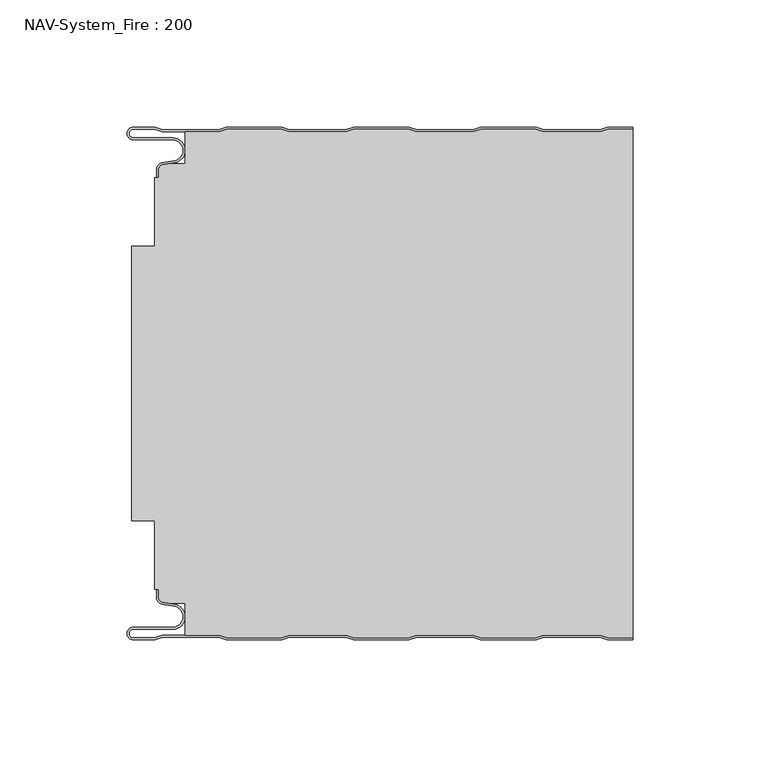
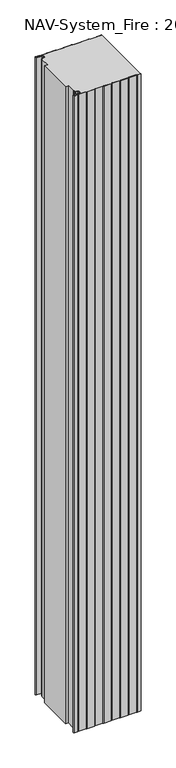
"""IFC4 building model written with IfcOpenShell, lengths in millimetres: plate geometry, NAV-System_Fire : 200."""

from ifc_helpers import new_model, si_unit, point, frame, frame_2d, origin, origin_with_axes, place, context, project, spatial, polyline, circle_curve, trimmed, segment, composite_curve, outline, extrude, source, transform, mapped, element, save
from ifc_brep_helpers import plane_surface, cylinder_surface, revolved_surface, advanced_brep


def nav_system_fire_200_e09a0413(model_context):
    return source(origin(), model_context, "Body", "SolidModel", [
        extrude(outline(composite_curve([segment(polyline([(89.6298221, -200.8), (86.6298221, -199.8), (64.3701779, -199.8), (61.3701779, -200.8), (39.6298221, -200.8), (36.6298221, -199.8), (14.3701779, -199.8), (11.3701779, -200.8), (-10.3701779, -200.8), (-13.3701779, -199.8), (-35.6298221, -199.8), (-38.6298221, -200.8), (-60.3701779, -200.8), (-63.3701779, -199.8), (-76.6602086, -199.8), (-76.6602086, -187.1656781), (-83.1774762, -187.1656781), (-85.6125665, -186.7363058)]), True, "CONTINUOUS"), segment(trimmed(circle_curve(frame_2d((-85.2999995, -184.963651)), 1.8000009), [point((-85.6125665, -186.7363058))], [point((-87.1000004, -184.963651))], False, "CARTESIAN"), True, "CONTINUOUS"), segment(polyline([(-87.1000004, -184.963651), (-87.1000004, -181.6488001), (-88.6500495, -181.6488001), (-88.6500495, -154.8), (-97.6527105, -154.8), (-97.6527105, -46.8), (-88.6502227, -46.8), (-88.6502227, -19.9512003), (-87.1000004, -19.9512003), (-87.1000004, -16.6387681)]), True, "CONTINUOUS"), segment(trimmed(circle_curve(frame_2d((-85.2999995, -16.6387681)), 1.8000009), [point((-87.1000004, -16.6387681))], [point((-85.6125665, -14.8661133))], False, "CARTESIAN"), True, "CONTINUOUS"), segment(polyline([(-85.6125665, -14.8661133), (-83.1774762, -14.436741), (-76.6602086, -14.436741), (-76.6602086, -1.8), (-63.3701779, -1.8), (-60.3701779, -0.8), (-38.6298221, -0.8), (-35.6298221, -1.8), (-13.3701779, -1.8), (-10.3701779, -0.8), (11.3701779, -0.8), (14.3701779, -1.8), (36.6298221, -1.8), (39.6298221, -0.8), (61.3701779, -0.8), (64.3701779, -1.8), (86.6298221, -1.8), (89.6298221, -0.8), (99.5, -0.8), (99.5, -200.8), (89.6298221, -200.8)]), True, "CONTINUOUS")], self_intersect=False)), origin_with_axes(), (0.0, 0.0, 1.0), 2000.0),
        advanced_brep(
        [(-88.6298221, -0.8, 0.0), (-97.0000001, -0.8, 0.0), (-97.0000001, -4.1999999, 0.0), (-81.6002086, -4.1999999, 0.0), (-80.7423864, -14.0049502, 0.0), (-85.6125665, -14.8636946, 0.0), (-87.1000004, -16.6363494, 0.0), (-87.1000014, -19.9421291, 0.0), (-87.9000014, -19.9421291, 0.0), (-87.9000014, -16.6363484, 0.0), (-85.7514853, -14.0758488, 0.0), (-80.8813015, -13.217104, 0.0), (-81.600205, -4.9999999, 0.0), (-97.0000001, -4.9999999, 0.0), (-97.0000001, 0.0, 0.0), (-88.5, 0.0, 0.0), (-85.5, -1.0, 0.0), (-63.5, -1.0, 0.0), (-60.5, 0.0, 0.0), (-38.5, 0.0, 0.0), (-35.5, -1.0, 0.0), (-13.5, -1.0, 0.0), (-10.5, 0.0, 0.0), (11.5, 0.0, 0.0), (14.5, -1.0, 0.0), (36.5, -1.0, 0.0), (39.5, 0.0, 0.0), (61.5, 0.0, 0.0), (64.5, -1.0, 0.0), (86.5, -1.0, 0.0), (89.5, 0.0, 0.0), (99.5, 0.0, 0.0), (99.5, -0.8, 0.0), (89.6298221, -0.8, 0.0), (86.6298221, -1.8, 0.0), (64.3701779, -1.8, 0.0), (61.3701779, -0.8, 0.0), (39.6298221, -0.8, 0.0), (36.6298221, -1.8, 0.0), (14.3701779, -1.8, 0.0), (11.3701779, -0.8, 0.0), (-10.3701779, -0.8, 0.0), (-13.3701779, -1.8, 0.0), (-35.6298221, -1.8, 0.0), (-38.6298221, -0.8, 0.0), (-60.3701779, -0.8, 0.0), (-63.3701779, -1.8, 0.0), (-85.6298221, -1.8, 0.0), (-88.6298221, -0.8, 2000.0), (-85.6298221, -1.8, 2000.0), (-63.3701779, -1.8, 2000.0), (-60.3701779, -0.8, 2000.0), (-38.6298221, -0.8, 2000.0), (-35.6298221, -1.8, 2000.0), (-13.3701779, -1.8, 2000.0), (-10.3701779, -0.8, 2000.0), (11.3701779, -0.8, 2000.0), (14.3701779, -1.8, 2000.0), (36.6298221, -1.8, 2000.0), (39.6298221, -0.8, 2000.0), (61.3701779, -0.8, 2000.0), (64.3701779, -1.8, 2000.0), (86.6298221, -1.8, 2000.0), (89.6298221, -0.8, 2000.0), (99.5, -0.8, 2000.0), (99.5, 0.0, 2000.0), (89.5, 0.0, 2000.0), (86.5, -1.0, 2000.0), (64.5, -1.0, 2000.0), (61.5, 0.0, 2000.0), (39.5, 0.0, 2000.0), (36.5, -1.0, 2000.0), (14.5, -1.0, 2000.0), (11.5, 0.0, 2000.0), (-10.5, 0.0, 2000.0), (-13.5, -1.0, 2000.0), (-35.5, -1.0, 2000.0), (-38.5, 0.0, 2000.0), (-60.5, 0.0, 2000.0), (-63.5, -1.0, 2000.0), (-85.5, -1.0, 2000.0), (-88.5, 0.0, 2000.0), (-97.0000001, 0.0, 2000.0), (-97.0000001, -4.9999999, 2000.0), (-81.600205, -4.9999999, 2000.0), (-80.8813015, -13.217104, 2000.0), (-85.7514853, -14.0758488, 2000.0), (-87.8999997, -16.6363484, 2000.0), (-87.9000014, -19.9421291, 2000.0), (-87.1000014, -19.9421291, 2000.0), (-87.1000014, -16.6363494, 2000.0), (-85.6125665, -14.8636946, 2000.0), (-80.7423864, -14.0049502, 2000.0), (-81.6002086, -4.1999999, 2000.0), (-97.0000001, -4.1999999, 2000.0), (-97.0000001, -0.8000002, 2000.0)],
        [
            (0, 1),
            (1, 2, circle_curve(frame((-97.0000001, -2.5, 0.0), z_axis=(0.0, 0.0, 1.0), x_axis=(1.0, 0.0, 0.0)), 1.6999999)),
            (2, 3),
            (3, 4, circle_curve(frame((-81.6002086, -9.1399999, 0.0), z_axis=(0.0, 0.0, -1.0), x_axis=(1.0, 0.0, 0.0)), 4.94)),
            (4, 5),
            (5, 6, circle_curve(frame((-85.2999995, -16.6363494, 0.0), z_axis=(0.0, 0.0, 1.0), x_axis=(1.0, 0.0, 0.0)), 1.8000009)),
            (6, 7),
            (7, 8),
            (8, 9),
            (9, 10, circle_curve(frame((-85.3000002, -16.6363484, 0.0), z_axis=(0.0, 0.0, -1.0), x_axis=(1.0, 0.0, 0.0)), 2.5999995)),
            (10, 11),
            (11, 12, circle_curve(frame((-81.600205, -9.1399999, 0.0), z_axis=(0.0, 0.0, 1.0), x_axis=(1.0, 0.0, 0.0)), 4.14)),
            (12, 13),
            (13, 14, circle_curve(frame((-97.0000001, -2.4999999, 0.0), z_axis=(0.0, 0.0, -1.0), x_axis=(1.0, 0.0, 0.0)), 2.4999999)),
            (14, 15),
            (15, 16),
            (16, 17),
            (17, 18),
            (18, 19),
            (19, 20),
            (20, 21),
            (21, 22),
            (22, 23),
            (23, 24),
            (24, 25),
            (25, 26),
            (26, 27),
            (27, 28),
            (28, 29),
            (29, 30),
            (30, 31),
            (31, 32),
            (32, 33),
            (33, 34),
            (34, 35),
            (35, 36),
            (36, 37),
            (37, 38),
            (38, 39),
            (39, 40),
            (40, 41),
            (41, 42),
            (42, 43),
            (43, 44),
            (44, 45),
            (45, 46),
            (46, 47),
            (47, 0),
            (48, 49),
            (49, 50),
            (50, 51),
            (51, 52),
            (52, 53),
            (53, 54),
            (54, 55),
            (55, 56),
            (56, 57),
            (57, 58),
            (58, 59),
            (59, 60),
            (60, 61),
            (61, 62),
            (62, 63),
            (63, 64),
            (64, 65),
            (65, 66),
            (66, 67),
            (67, 68),
            (68, 69),
            (69, 70),
            (70, 71),
            (71, 72),
            (72, 73),
            (73, 74),
            (74, 75),
            (75, 76),
            (76, 77),
            (77, 78),
            (78, 79),
            (79, 80),
            (80, 81),
            (81, 82),
            (82, 83, circle_curve(frame((-97.0000001, -2.4999999, 2000.0), z_axis=(0.0, 0.0, 1.0), x_axis=(1.0, 0.0, 0.0)), 2.4999999)),
            (83, 84),
            (84, 85, circle_curve(frame((-81.600205, -9.1399999, 2000.0), z_axis=(0.0, 0.0, -1.0), x_axis=(1.0, 0.0, 0.0)), 4.14)),
            (85, 86),
            (86, 87, circle_curve(frame((-85.3000002, -16.6363484, 2000.0), z_axis=(0.0, 0.0, 1.0), x_axis=(1.0, 0.0, 0.0)), 2.5999995)),
            (87, 88),
            (88, 89),
            (89, 90),
            (90, 91, circle_curve(frame((-85.2999995, -16.6363494, 2000.0), z_axis=(0.0, 0.0, -1.0), x_axis=(1.0, 0.0, 0.0)), 1.8000009)),
            (91, 92),
            (92, 93, circle_curve(frame((-81.6002086, -9.1399999, 2000.0), z_axis=(0.0, 0.0, 1.0), x_axis=(1.0, 0.0, 0.0)), 4.94)),
            (93, 94),
            (94, 95, circle_curve(frame((-97.0000001, -2.5, 2000.0), z_axis=(0.0, 0.0, -1.0), x_axis=(1.0, 0.0, 0.0)), 1.6999999)),
            (95, 48),
            (0, 48),
            (95, 1),
            (14, 82),
            (81, 15),
            (63, 33),
            (32, 64),
            (62, 34),
            (61, 35),
            (60, 36),
            (59, 37),
            (58, 38),
            (57, 39),
            (56, 40),
            (55, 41),
            (54, 42),
            (53, 43),
            (52, 44),
            (51, 45),
            (50, 46),
            (49, 47),
            (80, 16),
            (79, 17),
            (78, 18),
            (77, 19),
            (76, 20),
            (75, 21),
            (74, 22),
            (73, 23),
            (72, 24),
            (71, 25),
            (70, 26),
            (69, 27),
            (68, 28),
            (67, 29),
            (66, 30),
            (65, 31),
            (2, 94),
            (93, 3),
            (6, 90),
            (89, 7),
            (88, 8),
            (87, 9),
            (12, 84),
            (83, 13),
            (92, 4),
            (91, 5),
            (86, 10),
            (85, 11),
        ],
        [
            plane_surface(frame((-99.5, 0.0, 0.0), z_axis=(0.0, 0.0, -1.0), x_axis=(0.0, -1.0, 0.0))),
            plane_surface(frame((-99.5, 0.0, 2000.0), z_axis=(0.0, 0.0, 1.0), x_axis=(0.0, -1.0, 0.0))),
            plane_surface(frame((-88.6298221, -0.8, 0.0), z_axis=(0.0, -1.0, 0.0), x_axis=(0.0, 0.0, 1.0))),
            plane_surface(frame((-97.0000001, 0.0, 0.0), z_axis=(0.0, 1.0, 0.0), x_axis=(0.0, 0.0, 1.0))),
            plane_surface(frame((111.3701779, -0.8, 0.0), z_axis=(0.0, -1.0, 0.0), x_axis=(0.0, 0.0, 1.0))),
            plane_surface(frame((89.6298221, -0.8, 0.0), z_axis=(0.3162277660167413, -0.9486832980505461, 0.0), x_axis=(0.0, 0.0, 1.0))),
            plane_surface(frame((86.6298221, -1.8, 0.0), z_axis=(0.0, -1.0, 0.0), x_axis=(0.0, 0.0, 1.0))),
            plane_surface(frame((64.3701779, -1.8, 0.0), z_axis=(-0.31622776601675356, -0.948683298050542, 0.0), x_axis=(0.0, 0.0, 1.0))),
            plane_surface(frame((61.3701779, -0.8, 0.0), z_axis=(0.0, -1.0, 0.0), x_axis=(0.0, 0.0, 1.0))),
            plane_surface(frame((39.6298221, -0.8, 0.0), z_axis=(0.31622776601679226, -0.9486832980505291, 0.0), x_axis=(0.0, 0.0, 1.0))),
            plane_surface(frame((36.6298221, -1.8, 0.0), z_axis=(0.0, -1.0, 0.0), x_axis=(0.0, 0.0, 1.0))),
            plane_surface(frame((14.3701779, -1.8, 0.0), z_axis=(-0.3162277660168045, -0.948683298050525, 0.0), x_axis=(0.0, 0.0, 1.0))),
            plane_surface(frame((11.3701779, -0.8, 0.0), z_axis=(0.0, -1.0, 0.0), x_axis=(0.0, 0.0, 1.0))),
            plane_surface(frame((-10.3701779, -0.8, 0.0), z_axis=(0.31622776601679226, -0.9486832980505291, 0.0), x_axis=(0.0, 0.0, 1.0))),
            plane_surface(frame((-13.3701779, -1.8, 0.0), z_axis=(0.0, -1.0, 0.0), x_axis=(0.0, 0.0, 1.0))),
            plane_surface(frame((-35.6298221, -1.8, 0.0), z_axis=(-0.3162277660168045, -0.948683298050525, 0.0), x_axis=(0.0, 0.0, 1.0))),
            plane_surface(frame((-38.6298221, -0.8, 0.0), z_axis=(0.0, -1.0, 0.0), x_axis=(0.0, 0.0, 1.0))),
            plane_surface(frame((-60.3701779, -0.8, 0.0), z_axis=(0.3162277660167413, -0.9486832980505461, 0.0), x_axis=(0.0, 0.0, 1.0))),
            plane_surface(frame((-63.3701779, -1.8, 0.0), z_axis=(0.0, -1.0, 0.0), x_axis=(0.0, 0.0, 1.0))),
            plane_surface(frame((-85.6298221, -1.8, 0.0), z_axis=(-0.3162277660167413, -0.9486832980505461, 0.0), x_axis=(0.0, 0.0, 1.0))),
            plane_surface(frame((-88.5, 0.0, 0.0), z_axis=(0.31622776601671865, 0.9486832980505536, 0.0), x_axis=(0.0, 0.0, 1.0))),
            plane_surface(frame((-85.5, -1.0, 0.0), z_axis=(0.0, 1.0, 0.0), x_axis=(0.0, 0.0, 1.0))),
            plane_surface(frame((-63.5, -1.0, 0.0), z_axis=(-0.31622776601671865, 0.9486832980505536, 0.0), x_axis=(0.0, 0.0, 1.0))),
            plane_surface(frame((-60.5, 0.0, 0.0), z_axis=(0.0, 1.0, 0.0), x_axis=(0.0, 0.0, 1.0))),
            plane_surface(frame((-38.5, 0.0, 0.0), z_axis=(0.31622776601678754, 0.9486832980505306, 0.0), x_axis=(0.0, 0.0, 1.0))),
            plane_surface(frame((-35.5, -1.0, 0.0), z_axis=(0.0, 1.0, 0.0), x_axis=(0.0, 0.0, 1.0))),
            plane_surface(frame((-13.5, -1.0, 0.0), z_axis=(-0.3162277660167752, 0.9486832980505348, 0.0), x_axis=(0.0, 0.0, 1.0))),
            plane_surface(frame((-10.5, 0.0, 0.0), z_axis=(0.0, 1.0, 0.0), x_axis=(0.0, 0.0, 1.0))),
            plane_surface(frame((11.5, 0.0, 0.0), z_axis=(0.31622776601678754, 0.9486832980505306, 0.0), x_axis=(0.0, 0.0, 1.0))),
            plane_surface(frame((14.5, -1.0, 0.0), z_axis=(0.0, 1.0, 0.0), x_axis=(0.0, 0.0, 1.0))),
            plane_surface(frame((36.5, -1.0, 0.0), z_axis=(-0.3162277660167752, 0.9486832980505348, 0.0), x_axis=(0.0, 0.0, 1.0))),
            plane_surface(frame((39.5, 0.0, 0.0), z_axis=(0.0, 1.0, 0.0), x_axis=(0.0, 0.0, 1.0))),
            plane_surface(frame((61.5, 0.0, 0.0), z_axis=(0.3162277660167309, 0.9486832980505495, 0.0), x_axis=(0.0, 0.0, 1.0))),
            plane_surface(frame((64.5, -1.0, 0.0), z_axis=(0.0, 1.0, 0.0), x_axis=(0.0, 0.0, 1.0))),
            plane_surface(frame((86.5, -1.0, 0.0), z_axis=(-0.31622776601671865, 0.9486832980505536, 0.0), x_axis=(0.0, 0.0, 1.0))),
            plane_surface(frame((89.5, 0.0, 0.0), z_axis=(0.0, 1.0, 0.0), x_axis=(0.0, 0.0, 1.0))),
            plane_surface(frame((-97.0000001, -4.1999999, 0.0), z_axis=(0.0, 1.0, 0.0), x_axis=(0.0, 0.0, 1.0))),
            plane_surface(frame((-87.1000014, -16.6363494, 0.0), z_axis=(1.0, 0.0, 0.0), x_axis=(0.0, 0.0, 1.0))),
            plane_surface(frame((-87.1000014, -19.9421291, 0.0), z_axis=(0.0, -1.0, 0.0), x_axis=(0.0, 0.0, 1.0))),
            plane_surface(frame((-87.9000014, -19.9421291, 0.0), z_axis=(-1.0, 0.0, 0.0), x_axis=(0.0, 0.0, 1.0))),
            plane_surface(frame((-81.600205, -4.9999999, 0.0), z_axis=(0.0, -1.0, 0.0), x_axis=(0.0, 0.0, 1.0))),
            revolved_surface(polyline([(-95.3000002, -2.5, 2000.0), (-95.3000002, -2.5, 0.0)]), (-97.0000001, -2.5, 0.0), (0.0, 0.0, 1.0)),
            cylinder_surface(frame((-81.6002086, -9.1399999, 0.0), z_axis=(0.0, 0.0, -1.0), x_axis=(1.0, 0.0, 0.0)), 4.94),
            plane_surface(frame((-80.7423864, -14.0049502, 0.0), z_axis=(0.17364822279076972, -0.9848077450556567, 0.0), x_axis=(0.0, 0.0, 1.0))),
            revolved_surface(polyline([(-83.4999986, -16.6363494, 2000.0), (-83.4999986, -16.6363494, 0.0)]), (-85.2999995, -16.6363494, 0.0), (0.0, 0.0, 1.0)),
            cylinder_surface(frame((-85.3000002, -16.6363484, 0.0), z_axis=(0.0, 0.0, -1.0), x_axis=(1.0, 0.0, 0.0)), 2.5999995),
            plane_surface(frame((-85.7514853, -14.0758488, 0.0), z_axis=(-0.17364817295915452, 0.984807753842316, 0.0), x_axis=(0.0, 0.0, 1.0))),
            revolved_surface(polyline([(-77.460205, -9.1399999, 2000.0), (-77.460205, -9.1399999, 0.0)]), (-81.600205, -9.1399999, 0.0), (0.0, 0.0, 1.0)),
            cylinder_surface(frame((-97.0000001, -2.4999999, 0.0), z_axis=(0.0, 0.0, -1.0), x_axis=(1.0, 0.0, 0.0)), 2.4999999),
            plane_surface(frame((99.5, 100.0, 2000.0), z_axis=(1.0, 0.0, 0.0), x_axis=(0.0, 0.0, -1.0))),
        ],
        [
            (0, [[1, 2, 3, 4, 5, 6, 7, 8, 9, 10, 11, 12, 13, 14, 15, 16, 17, 18, 19, 20, 21, 22, 23, 24, 25, 26, 27, 28, 29, 30, 31, 32, 33, 34, 35, 36, 37, 38, 39, 40, 41, 42, 43, 44, 45, 46, 47, 48]]),
            (1, [[49, 50, 51, 52, 53, 54, 55, 56, 57, 58, 59, 60, 61, 62, 63, 64, 65, 66, 67, 68, 69, 70, 71, 72, 73, 74, 75, 76, 77, 78, 79, 80, 81, 82, 83, 84, 85, 86, 87, 88, 89, 90, 91, 92, 93, 94, 95, 96]]),
            (2, [[-1, 97, -96, 98]]),
            (3, [[-15, 99, -82, 100]]),
            (4, [[101, -33, 102, -64]]),
            (5, [[-34, -101, -63, 103]]),
            (6, [[-35, -103, -62, 104]]),
            (7, [[-36, -104, -61, 105]]),
            (8, [[-37, -105, -60, 106]]),
            (9, [[-38, -106, -59, 107]]),
            (10, [[-39, -107, -58, 108]]),
            (11, [[-40, -108, -57, 109]]),
            (12, [[-41, -109, -56, 110]]),
            (13, [[-42, -110, -55, 111]]),
            (14, [[-43, -111, -54, 112]]),
            (15, [[-44, -112, -53, 113]]),
            (16, [[-45, -113, -52, 114]]),
            (17, [[-46, -114, -51, 115]]),
            (18, [[-47, -115, -50, 116]]),
            (19, [[-48, -116, -49, -97]]),
            (20, [[-16, -100, -81, 117]]),
            (21, [[-17, -117, -80, 118]]),
            (22, [[-18, -118, -79, 119]]),
            (23, [[-19, -119, -78, 120]]),
            (24, [[-20, -120, -77, 121]]),
            (25, [[-21, -121, -76, 122]]),
            (26, [[-22, -122, -75, 123]]),
            (27, [[-23, -123, -74, 124]]),
            (28, [[-24, -124, -73, 125]]),
            (29, [[-25, -125, -72, 126]]),
            (30, [[-26, -126, -71, 127]]),
            (31, [[-27, -127, -70, 128]]),
            (32, [[-28, -128, -69, 129]]),
            (33, [[-29, -129, -68, 130]]),
            (34, [[-30, -130, -67, 131]]),
            (35, [[-131, -66, 132, -31]]),
            (36, [[-3, 133, -94, 134]]),
            (37, [[-7, 135, -90, 136]]),
            (38, [[-8, -136, -89, 137]]),
            (39, [[-9, -137, -88, 138]]),
            (40, [[-13, 139, -84, 140]]),
            (41, [[-2, -98, -95, -133]]),
            (42, [[-4, -134, -93, 141]]),
            (43, [[-5, -141, -92, 142]]),
            (44, [[-6, -142, -91, -135]]),
            (45, [[-10, -138, -87, 143]]),
            (46, [[-11, -143, -86, 144]]),
            (47, [[-12, -144, -85, -139]]),
            (48, [[-14, -140, -83, -99]]),
            (49, [[-32, -132, -65, -102]]),
        ],
    ),
        advanced_brep(
        [(-88.6298221, -200.8, 2000.0), (-97.0000001, -200.8, 2000.0), (-97.0000001, -197.4000001, 2000.0), (-81.6002086, -197.4000001, 2000.0), (-80.7423864, -187.5950498, 2000.0), (-85.6125665, -186.7363054, 2000.0), (-87.1000004, -184.9636506, 2000.0), (-87.1000014, -181.6578709, 2000.0), (-87.9000014, -181.6578709, 2000.0), (-87.9000014, -184.9636516, 2000.0), (-85.7514853, -187.5241512, 2000.0), (-80.8813015, -188.382896, 2000.0), (-81.600205, -196.6000001, 2000.0), (-97.0000001, -196.6000001, 2000.0), (-97.0000001, -201.6, 2000.0), (-88.5, -201.6, 2000.0), (-85.5, -200.6, 2000.0), (-63.5, -200.6, 2000.0), (-60.5, -201.6, 2000.0), (-38.5, -201.6, 2000.0), (-35.5, -200.6, 2000.0), (-13.5, -200.6, 2000.0), (-10.5, -201.6, 2000.0), (11.5, -201.6, 2000.0), (14.5, -200.6, 2000.0), (36.5, -200.6, 2000.0), (39.5, -201.6, 2000.0), (61.5, -201.6, 2000.0), (64.5, -200.6, 2000.0), (86.5, -200.6, 2000.0), (89.5, -201.6, 2000.0), (99.5, -201.6, 2000.0), (99.5, -200.8, 2000.0), (89.6298221, -200.8, 2000.0), (86.6298221, -199.8, 2000.0), (64.3701779, -199.8, 2000.0), (61.3701779, -200.8, 2000.0), (39.6298221, -200.8, 2000.0), (36.6298221, -199.8, 2000.0), (14.3701779, -199.8, 2000.0), (11.3701779, -200.8, 2000.0), (-10.3701779, -200.8, 2000.0), (-13.3701779, -199.8, 2000.0), (-35.6298221, -199.8, 2000.0), (-38.6298221, -200.8, 2000.0), (-60.3701779, -200.8, 2000.0), (-63.3701779, -199.8, 2000.0), (-85.6298221, -199.8, 2000.0), (-88.6298221, -200.8, 0.0), (-85.6298221, -199.8, 0.0), (-63.3701779, -199.8, 0.0), (-60.3701779, -200.8, 0.0), (-38.6298221, -200.8, 0.0), (-35.6298221, -199.8, 0.0), (-13.3701779, -199.8, 0.0), (-10.3701779, -200.8, 0.0), (11.3701779, -200.8, 0.0), (14.3701779, -199.8, 0.0), (36.6298221, -199.8, 0.0), (39.6298221, -200.8, 0.0), (61.3701779, -200.8, 0.0), (64.3701779, -199.8, 0.0), (86.6298221, -199.8, 0.0), (89.6298221, -200.8, 0.0), (99.5, -200.8, 0.0), (99.5, -201.6, 0.0), (89.5, -201.6, 0.0), (86.5, -200.6, 0.0), (64.5, -200.6, 0.0), (61.5, -201.6, 0.0), (39.5, -201.6, 0.0), (36.5, -200.6, 0.0), (14.5, -200.6, 0.0), (11.5, -201.6, 0.0), (-10.5, -201.6, 0.0), (-13.5, -200.6, 0.0), (-35.5, -200.6, 0.0), (-38.5, -201.6, 0.0), (-60.5, -201.6, 0.0), (-63.5, -200.6, 0.0), (-85.5, -200.6, 0.0), (-88.5, -201.6, 0.0), (-97.0000001, -201.6, 0.0), (-97.0000001, -196.6000001, 0.0), (-81.600205, -196.6000001, 0.0), (-80.8813015, -188.382896, 0.0), (-85.7514853, -187.5241512, 0.0), (-87.8999997, -184.9636516, 0.0), (-87.9000014, -181.6578709, 0.0), (-87.1000014, -181.6578709, 0.0), (-87.1000014, -184.9636506, 0.0), (-85.6125665, -186.7363054, 0.0), (-80.7423864, -187.5950498, 0.0), (-81.6002086, -197.4000001, 0.0), (-97.0000001, -197.4000001, 0.0), (-97.0000001, -200.7999998, 0.0)],
        [
            (0, 1),
            (1, 2, circle_curve(frame((-97.0000001, -199.1, 2000.0), z_axis=(0.0, 0.0, -1.0), x_axis=(1.0, 0.0, 0.0)), 1.6999999)),
            (2, 3),
            (3, 4, circle_curve(frame((-81.6002086, -192.4600001, 2000.0), z_axis=(0.0, 0.0, 1.0), x_axis=(1.0, 0.0, 0.0)), 4.94)),
            (4, 5),
            (5, 6, circle_curve(frame((-85.2999995, -184.9636506, 2000.0), z_axis=(0.0, 0.0, -1.0), x_axis=(1.0, 0.0, 0.0)), 1.8000009)),
            (6, 7),
            (7, 8),
            (8, 9),
            (9, 10, circle_curve(frame((-85.3000002, -184.9636516, 2000.0), z_axis=(0.0, 0.0, 1.0), x_axis=(1.0, 0.0, 0.0)), 2.5999995)),
            (10, 11),
            (11, 12, circle_curve(frame((-81.600205, -192.4600001, 2000.0), z_axis=(0.0, 0.0, -1.0), x_axis=(1.0, 0.0, 0.0)), 4.14)),
            (12, 13),
            (13, 14, circle_curve(frame((-97.0000001, -199.1000001, 2000.0), z_axis=(0.0, 0.0, 1.0), x_axis=(1.0, 0.0, 0.0)), 2.4999999)),
            (14, 15),
            (15, 16),
            (16, 17),
            (17, 18),
            (18, 19),
            (19, 20),
            (20, 21),
            (21, 22),
            (22, 23),
            (23, 24),
            (24, 25),
            (25, 26),
            (26, 27),
            (27, 28),
            (28, 29),
            (29, 30),
            (30, 31),
            (31, 32),
            (32, 33),
            (33, 34),
            (34, 35),
            (35, 36),
            (36, 37),
            (37, 38),
            (38, 39),
            (39, 40),
            (40, 41),
            (41, 42),
            (42, 43),
            (43, 44),
            (44, 45),
            (45, 46),
            (46, 47),
            (47, 0),
            (48, 49),
            (49, 50),
            (50, 51),
            (51, 52),
            (52, 53),
            (53, 54),
            (54, 55),
            (55, 56),
            (56, 57),
            (57, 58),
            (58, 59),
            (59, 60),
            (60, 61),
            (61, 62),
            (62, 63),
            (63, 64),
            (64, 65),
            (65, 66),
            (66, 67),
            (67, 68),
            (68, 69),
            (69, 70),
            (70, 71),
            (71, 72),
            (72, 73),
            (73, 74),
            (74, 75),
            (75, 76),
            (76, 77),
            (77, 78),
            (78, 79),
            (79, 80),
            (80, 81),
            (81, 82),
            (82, 83, circle_curve(frame((-97.0000001, -199.1000001, 0.0), z_axis=(0.0, 0.0, -1.0), x_axis=(1.0, 0.0, 0.0)), 2.4999999)),
            (83, 84),
            (84, 85, circle_curve(frame((-81.600205, -192.4600001, 0.0), z_axis=(0.0, 0.0, 1.0), x_axis=(1.0, 0.0, 0.0)), 4.14)),
            (85, 86),
            (86, 87, circle_curve(frame((-85.3000002, -184.9636516, 0.0), z_axis=(0.0, 0.0, -1.0), x_axis=(1.0, 0.0, 0.0)), 2.5999995)),
            (87, 88),
            (88, 89),
            (89, 90),
            (90, 91, circle_curve(frame((-85.2999995, -184.9636506, 0.0), z_axis=(0.0, 0.0, 1.0), x_axis=(1.0, 0.0, 0.0)), 1.8000009)),
            (91, 92),
            (92, 93, circle_curve(frame((-81.6002086, -192.4600001, 0.0), z_axis=(0.0, 0.0, -1.0), x_axis=(1.0, 0.0, 0.0)), 4.94)),
            (93, 94),
            (94, 95, circle_curve(frame((-97.0000001, -199.1, 0.0), z_axis=(0.0, 0.0, 1.0), x_axis=(1.0, 0.0, 0.0)), 1.6999999)),
            (95, 48),
            (14, 82),
            (81, 15),
            (0, 48),
            (95, 1),
            (63, 33),
            (32, 64),
            (62, 34),
            (61, 35),
            (60, 36),
            (59, 37),
            (58, 38),
            (57, 39),
            (56, 40),
            (55, 41),
            (54, 42),
            (53, 43),
            (52, 44),
            (51, 45),
            (50, 46),
            (49, 47),
            (80, 16),
            (79, 17),
            (78, 18),
            (77, 19),
            (76, 20),
            (75, 21),
            (74, 22),
            (73, 23),
            (72, 24),
            (71, 25),
            (70, 26),
            (69, 27),
            (68, 28),
            (67, 29),
            (66, 30),
            (65, 31),
            (2, 94),
            (93, 3),
            (6, 90),
            (89, 7),
            (88, 8),
            (87, 9),
            (12, 84),
            (83, 13),
            (92, 4),
            (91, 5),
            (86, 10),
            (85, 11),
        ],
        [
            plane_surface(frame((-99.5, -201.6, 2000.0), z_axis=(0.0, 0.0, 1.0), x_axis=(-1.0, 0.0, 0.0))),
            plane_surface(frame((-99.5, -201.6, 0.0), z_axis=(0.0, 0.0, -1.0), x_axis=(-1.0, 0.0, 0.0))),
            plane_surface(frame((-97.0000001, -201.6, 2000.0), z_axis=(0.0, -1.0, 0.0), x_axis=(0.0, 0.0, -1.0))),
            plane_surface(frame((-88.6298221, -200.8, 2000.0), z_axis=(0.0, 1.0, 0.0), x_axis=(0.0, 0.0, -1.0))),
            plane_surface(frame((111.3701779, -200.8, 2000.0), z_axis=(0.0, 1.0, 0.0), x_axis=(0.0, 0.0, -1.0))),
            plane_surface(frame((89.6298221, -200.8, 2000.0), z_axis=(0.3162277660167412, 0.9486832980505461, 0.0), x_axis=(0.0, 0.0, -1.0))),
            plane_surface(frame((86.6298221, -199.8, 2000.0), z_axis=(0.0, 1.0, 0.0), x_axis=(0.0, 0.0, -1.0))),
            plane_surface(frame((64.3701779, -199.8, 2000.0), z_axis=(-0.3162277660167537, 0.948683298050542, 0.0), x_axis=(0.0, 0.0, -1.0))),
            plane_surface(frame((61.3701779, -200.8, 2000.0), z_axis=(0.0, 1.0, 0.0), x_axis=(0.0, 0.0, -1.0))),
            plane_surface(frame((39.6298221, -200.8, 2000.0), z_axis=(0.31622776601679214, 0.9486832980505291, 0.0), x_axis=(0.0, 0.0, -1.0))),
            plane_surface(frame((36.6298221, -199.8, 2000.0), z_axis=(0.0, 1.0, 0.0), x_axis=(0.0, 0.0, -1.0))),
            plane_surface(frame((14.3701779, -199.8, 2000.0), z_axis=(-0.31622776601680463, 0.948683298050525, 0.0), x_axis=(0.0, 0.0, -1.0))),
            plane_surface(frame((11.3701779, -200.8, 2000.0), z_axis=(0.0, 1.0, 0.0), x_axis=(0.0, 0.0, -1.0))),
            plane_surface(frame((-10.3701779, -200.8, 2000.0), z_axis=(0.31622776601679214, 0.9486832980505291, 0.0), x_axis=(0.0, 0.0, -1.0))),
            plane_surface(frame((-13.3701779, -199.8, 2000.0), z_axis=(0.0, 1.0, 0.0), x_axis=(0.0, 0.0, -1.0))),
            plane_surface(frame((-35.6298221, -199.8, 2000.0), z_axis=(-0.31622776601680463, 0.948683298050525, 0.0), x_axis=(0.0, 0.0, -1.0))),
            plane_surface(frame((-38.6298221, -200.8, 2000.0), z_axis=(0.0, 1.0, 0.0), x_axis=(0.0, 0.0, -1.0))),
            plane_surface(frame((-60.3701779, -200.8, 2000.0), z_axis=(0.3162277660167412, 0.9486832980505461, 0.0), x_axis=(0.0, 0.0, -1.0))),
            plane_surface(frame((-63.3701779, -199.8, 2000.0), z_axis=(0.0, 1.0, 0.0), x_axis=(0.0, 0.0, -1.0))),
            plane_surface(frame((-85.6298221, -199.8, 2000.0), z_axis=(-0.3162277660167414, 0.9486832980505461, 0.0), x_axis=(0.0, 0.0, -1.0))),
            plane_surface(frame((-88.5, -201.6, 2000.0), z_axis=(0.31622776601671876, -0.9486832980505536, 0.0), x_axis=(0.0, 0.0, -1.0))),
            plane_surface(frame((-85.5, -200.6, 2000.0), z_axis=(0.0, -1.0, 0.0), x_axis=(0.0, 0.0, -1.0))),
            plane_surface(frame((-63.5, -200.6, 2000.0), z_axis=(-0.31622776601671854, -0.9486832980505536, 0.0), x_axis=(0.0, 0.0, -1.0))),
            plane_surface(frame((-60.5, -201.6, 2000.0), z_axis=(0.0, -1.0, 0.0), x_axis=(0.0, 0.0, -1.0))),
            plane_surface(frame((-38.5, -201.6, 2000.0), z_axis=(0.31622776601678765, -0.9486832980505306, 0.0), x_axis=(0.0, 0.0, -1.0))),
            plane_surface(frame((-35.5, -200.6, 2000.0), z_axis=(0.0, -1.0, 0.0), x_axis=(0.0, 0.0, -1.0))),
            plane_surface(frame((-13.5, -200.6, 2000.0), z_axis=(-0.3162277660167751, -0.9486832980505348, 0.0), x_axis=(0.0, 0.0, -1.0))),
            plane_surface(frame((-10.5, -201.6, 2000.0), z_axis=(0.0, -1.0, 0.0), x_axis=(0.0, 0.0, -1.0))),
            plane_surface(frame((11.5, -201.6, 2000.0), z_axis=(0.31622776601678765, -0.9486832980505306, 0.0), x_axis=(0.0, 0.0, -1.0))),
            plane_surface(frame((14.5, -200.6, 2000.0), z_axis=(0.0, -1.0, 0.0), x_axis=(0.0, 0.0, -1.0))),
            plane_surface(frame((36.5, -200.6, 2000.0), z_axis=(-0.3162277660167751, -0.9486832980505348, 0.0), x_axis=(0.0, 0.0, -1.0))),
            plane_surface(frame((39.5, -201.6, 2000.0), z_axis=(0.0, -1.0, 0.0), x_axis=(0.0, 0.0, -1.0))),
            plane_surface(frame((61.5, -201.6, 2000.0), z_axis=(0.316227766016731, -0.9486832980505495, 0.0), x_axis=(0.0, 0.0, -1.0))),
            plane_surface(frame((64.5, -200.6, 2000.0), z_axis=(0.0, -1.0, 0.0), x_axis=(0.0, 0.0, -1.0))),
            plane_surface(frame((86.5, -200.6, 2000.0), z_axis=(-0.31622776601671854, -0.9486832980505536, 0.0), x_axis=(0.0, 0.0, -1.0))),
            plane_surface(frame((89.5, -201.6, 2000.0), z_axis=(0.0, -1.0, 0.0), x_axis=(0.0, 0.0, -1.0))),
            plane_surface(frame((-97.0000001, -197.4000001, 2000.0), z_axis=(0.0, -1.0, 0.0), x_axis=(0.0, 0.0, -1.0))),
            plane_surface(frame((-87.1000014, -184.9636506, 2000.0), z_axis=(1.0, 0.0, 0.0), x_axis=(0.0, 0.0, -1.0))),
            plane_surface(frame((-87.1000014, -181.6578709, 2000.0), z_axis=(0.0, 1.0, 0.0), x_axis=(0.0, 0.0, -1.0))),
            plane_surface(frame((-87.9000014, -181.6578709, 2000.0), z_axis=(-1.0, 0.0, 0.0), x_axis=(0.0, 0.0, -1.0))),
            plane_surface(frame((-81.600205, -196.6000001, 2000.0), z_axis=(0.0, 1.0, 0.0), x_axis=(0.0, 0.0, -1.0))),
            revolved_surface(polyline([(-95.3000002, -199.1, 0.0), (-95.3000002, -199.1, 2000.0)]), (-97.0000001, -199.1, 2000.0), (0.0, 0.0, -1.0)),
            cylinder_surface(frame((-81.6002086, -192.4600001, 2000.0), z_axis=(0.0, 0.0, 1.0), x_axis=(1.0, 0.0, 0.0)), 4.94),
            plane_surface(frame((-80.7423864, -187.5950498, 2000.0), z_axis=(0.17364822279076958, 0.9848077450556567, 0.0), x_axis=(0.0, 0.0, -1.0))),
            revolved_surface(polyline([(-83.4999986, -184.9636506, 0.0), (-83.4999986, -184.9636506, 2000.0)]), (-85.2999995, -184.9636506, 2000.0), (0.0, 0.0, -1.0)),
            cylinder_surface(frame((-85.3000002, -184.9636516, 2000.0), z_axis=(0.0, 0.0, 1.0), x_axis=(1.0, 0.0, 0.0)), 2.5999995),
            plane_surface(frame((-85.7514853, -187.5241512, 2000.0), z_axis=(-0.17364817295915438, -0.984807753842316, 0.0), x_axis=(0.0, 0.0, -1.0))),
            revolved_surface(polyline([(-77.460205, -192.4600001, 0.0), (-77.460205, -192.4600001, 2000.0)]), (-81.600205, -192.4600001, 2000.0), (0.0, 0.0, -1.0)),
            cylinder_surface(frame((-97.0000001, -199.1000001, 2000.0), z_axis=(0.0, 0.0, 1.0), x_axis=(1.0, 0.0, 0.0)), 2.4999999),
            plane_surface(frame((99.5, 100.0, 2000.0), z_axis=(1.0, 0.0, 0.0), x_axis=(0.0, 0.0, -1.0))),
        ],
        [
            (0, [[1, 2, 3, 4, 5, 6, 7, 8, 9, 10, 11, 12, 13, 14, 15, 16, 17, 18, 19, 20, 21, 22, 23, 24, 25, 26, 27, 28, 29, 30, 31, 32, 33, 34, 35, 36, 37, 38, 39, 40, 41, 42, 43, 44, 45, 46, 47, 48]]),
            (1, [[49, 50, 51, 52, 53, 54, 55, 56, 57, 58, 59, 60, 61, 62, 63, 64, 65, 66, 67, 68, 69, 70, 71, 72, 73, 74, 75, 76, 77, 78, 79, 80, 81, 82, 83, 84, 85, 86, 87, 88, 89, 90, 91, 92, 93, 94, 95, 96]]),
            (2, [[-15, 97, -82, 98]]),
            (3, [[-1, 99, -96, 100]]),
            (4, [[101, -33, 102, -64]]),
            (5, [[-34, -101, -63, 103]]),
            (6, [[-35, -103, -62, 104]]),
            (7, [[-36, -104, -61, 105]]),
            (8, [[-37, -105, -60, 106]]),
            (9, [[-38, -106, -59, 107]]),
            (10, [[-39, -107, -58, 108]]),
            (11, [[-40, -108, -57, 109]]),
            (12, [[-41, -109, -56, 110]]),
            (13, [[-42, -110, -55, 111]]),
            (14, [[-43, -111, -54, 112]]),
            (15, [[-44, -112, -53, 113]]),
            (16, [[-45, -113, -52, 114]]),
            (17, [[-46, -114, -51, 115]]),
            (18, [[-47, -115, -50, 116]]),
            (19, [[-48, -116, -49, -99]]),
            (20, [[-16, -98, -81, 117]]),
            (21, [[-17, -117, -80, 118]]),
            (22, [[-18, -118, -79, 119]]),
            (23, [[-19, -119, -78, 120]]),
            (24, [[-20, -120, -77, 121]]),
            (25, [[-21, -121, -76, 122]]),
            (26, [[-22, -122, -75, 123]]),
            (27, [[-23, -123, -74, 124]]),
            (28, [[-24, -124, -73, 125]]),
            (29, [[-25, -125, -72, 126]]),
            (30, [[-26, -126, -71, 127]]),
            (31, [[-27, -127, -70, 128]]),
            (32, [[-28, -128, -69, 129]]),
            (33, [[-29, -129, -68, 130]]),
            (34, [[-30, -130, -67, 131]]),
            (35, [[-131, -66, 132, -31]]),
            (36, [[-3, 133, -94, 134]]),
            (37, [[-7, 135, -90, 136]]),
            (38, [[-8, -136, -89, 137]]),
            (39, [[-9, -137, -88, 138]]),
            (40, [[-13, 139, -84, 140]]),
            (41, [[-2, -100, -95, -133]]),
            (42, [[-4, -134, -93, 141]]),
            (43, [[-5, -141, -92, 142]]),
            (44, [[-6, -142, -91, -135]]),
            (45, [[-10, -138, -87, 143]]),
            (46, [[-11, -143, -86, 144]]),
            (47, [[-12, -144, -85, -139]]),
            (48, [[-14, -140, -83, -97]]),
            (49, [[-32, -132, -65, -102]]),
        ],
    ),
    ])


if __name__ == "__main__":
    model = new_model("IFC4")
    model_context = context("Model", 3, world=origin())
    ifc_project = project(units=[si_unit("LENGTHUNIT", "METRE", prefix="MILLI")], contexts=[model_context])
    site = spatial("IfcSite", under=ifc_project)
    building = spatial("IfcBuilding", under=site)
    placement = place(None, origin())
    nav_system_fire_200_shape = nav_system_fire_200_e09a0413(model_context)
    element("IfcPlate", 1, ObjectType="NAV-System_Fire : 200", at=placement, inside=building, context=model_context, shape_type="MappedRepresentation", body=[
        mapped(nav_system_fire_200_shape, transform((0.0, 0.0, 0.0), x_axis=(1.0, 0.0, 0.0), y_axis=(0.0, 1.0, 0.0), z_axis=(0.0, 0.0, 1.0))),
    ])
    save(model, "model.ifc")
